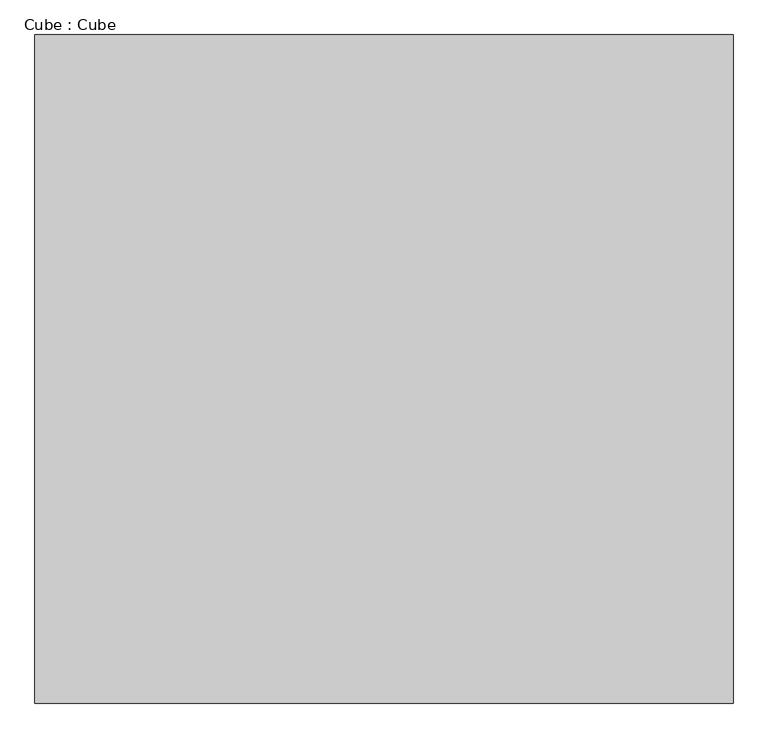
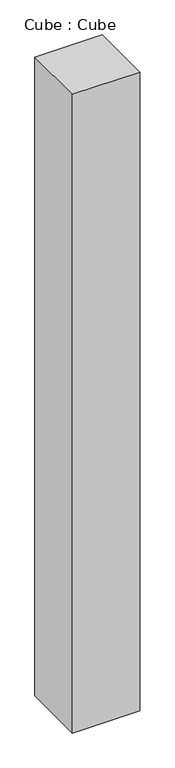
"""IFC4 building model written with IfcOpenShell, lengths in millimetres: proxy geometry, Cube : Cube."""

from ifc_helpers import new_model, si_unit, origin, origin_with_axes, place, context, project, spatial, polyline, outline, extrude, source, transform, mapped, element, save


def cube_cube_cf9089d3(model_context):
    return source(origin(), model_context, "Body", "SweptSolid", [
        extrude(outline(polyline([(600.078, 575.0), (600.078, -575.0), (-600.078, -575.0), (-600.078, 575.0), (600.078, 575.0)])), origin_with_axes(), (0.0, 0.0, 1.0), 12000.0),
    ])


if __name__ == "__main__":
    model = new_model("IFC4")
    model_context = context("Model", 3, world=origin())
    ifc_project = project(units=[si_unit("LENGTHUNIT", "METRE", prefix="MILLI")], contexts=[model_context])
    site = spatial("IfcSite", under=ifc_project)
    building = spatial("IfcBuilding", under=site)
    placement = place(None, origin())
    cube_cube_shape = cube_cube_cf9089d3(model_context)
    element("IfcBuildingElementProxy", 1, Name="Cube : Cube", ObjectType="Cube : Cube", at=placement, inside=building, context=model_context, shape_type="MappedRepresentation", body=[
        mapped(cube_cube_shape, transform((0.0, 0.0, 0.0), x_axis=(1.0, 0.0, 0.0), y_axis=(0.0, 1.0, 0.0), z_axis=(0.0, 0.0, 1.0))),
    ])
    save(model, "model.ifc")
